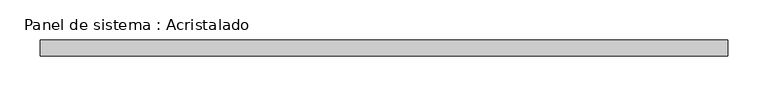
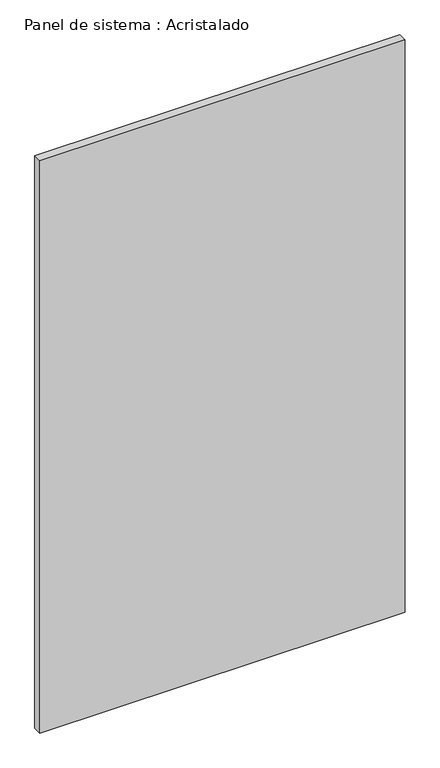
"""IFC4 building model written with IfcOpenShell, lengths in millimetres: plate geometry, Panel de sistema : Acristalado."""

from ifc_helpers import new_model, si_unit, origin, origin_with_axes, place, context, project, spatial, polyline, outline, extrude, source, transform, mapped, element, save


def panel_de_sistema_acristalado_402b9e1f(model_context):
    return source(origin(), model_context, "Body", "SweptSolid", [
        extrude(outline(polyline([(428.6641125, -10.0), (-428.6641125, -10.0), (-428.6641125, 10.0), (428.6641125, 10.0), (428.6641125, -10.0)])), origin_with_axes(), (0.0, 0.0, 1.0), 1419.9740771),
    ])


if __name__ == "__main__":
    model = new_model("IFC4")
    model_context = context("Model", 3, world=origin())
    ifc_project = project(units=[si_unit("LENGTHUNIT", "METRE", prefix="MILLI")], contexts=[model_context])
    site = spatial("IfcSite", under=ifc_project)
    building = spatial("IfcBuilding", under=site)
    placement = place(None, origin())
    panel_de_sistema_acristalado_shape = panel_de_sistema_acristalado_402b9e1f(model_context)
    element("IfcPlate", 1, ObjectType="Panel de sistema : Acristalado", at=placement, inside=building, context=model_context, shape_type="MappedRepresentation", body=[
        mapped(panel_de_sistema_acristalado_shape, transform((0.0, 0.0, 0.0), x_axis=(1.0, 0.0, 0.0), y_axis=(0.0, 1.0, 0.0), z_axis=(0.0, 0.0, 1.0))),
    ])
    save(model, "model.ifc")
